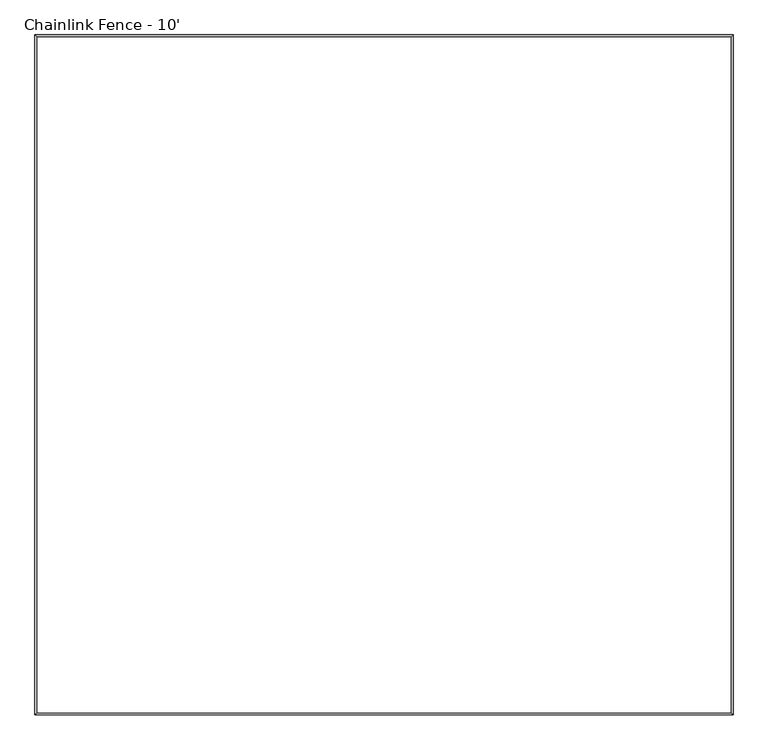
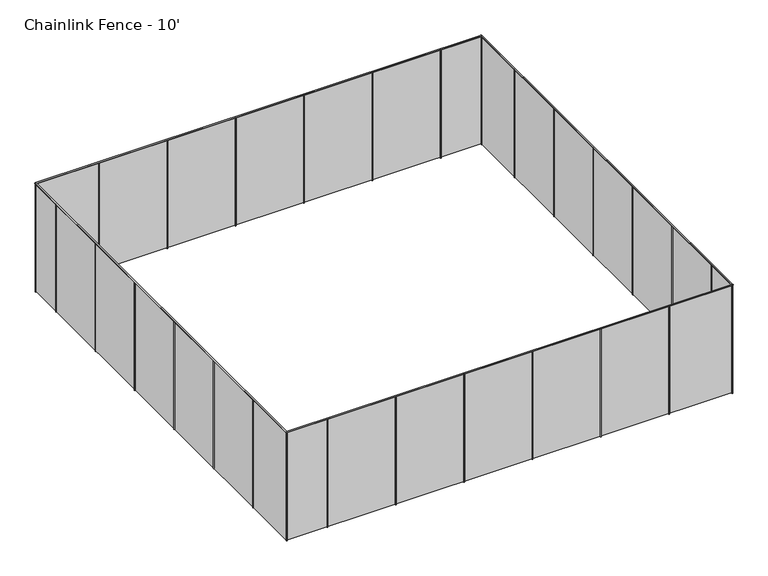
"""IFC4 building model written with IfcOpenShell, lengths in millimetres: railing geometry, Chainlink Fence - 10'."""

from ifc_helpers import new_model, si_unit, point, frame, frame_2d, origin, origin_with_axes, place, context, project, spatial, circle_curve, ellipse_curve, trimmed, segment, composite_curve, outline, extrude, faceted_brep, source, transform, mapped, element, save
from ifc_brep_helpers import cylinder_surface, advanced_brep


def chainlink_fence_10_bb0f8bb2(model_context):
    return source(origin(), model_context, "Body", "SolidModel", [
        advanced_brep(
        [(2433.1141654, -11233.0162938, 3033.0), (2463.1141654, -11263.0162938, 3033.0), (-9366.8858346, -11263.0162938, 3033.0), (-9336.8858346, -11233.0162938, 3033.0), (-9366.8858346, 266.9837062, 3033.0), (-9336.8858346, 236.9837062, 3033.0), (2463.1141654, 266.9837062, 3033.0), (2433.1141654, 236.9837062, 3033.0)],
        [
            (0, 1, ellipse_curve(frame((2448.1141654, -11248.0162938, 3033.0), z_axis=(-0.7071067811865495, -0.7071067811865456, 0.0), x_axis=(0.7071067811865455, -0.7071067811865495, 0.0)), 21.2132034, 15.0)),
            (1, 2),
            (2, 3, ellipse_curve(frame((-9351.8858346, -11248.0162938, 3033.0), z_axis=(0.7071067811865451, -0.7071067811865499, 0.0), x_axis=(0.7071067811865499, 0.707106781186545, 0.0)), 21.2132034, 15.0)),
            (3, 0),
            (1, 0, ellipse_curve(frame((2448.1141654, -11248.0162938, 3033.0), z_axis=(-0.7071067811865495, -0.7071067811865456, 0.0), x_axis=(0.7071067811865455, -0.7071067811865495, 0.0)), 21.2132034, 15.0)),
            (3, 2, ellipse_curve(frame((-9351.8858346, -11248.0162938, 3033.0), z_axis=(0.7071067811865451, -0.7071067811865499, 0.0), x_axis=(0.7071067811865499, 0.707106781186545, 0.0)), 21.2132034, 15.0)),
            (2, 4),
            (4, 5, ellipse_curve(frame((-9351.8858346, 251.9837062, 3033.0), z_axis=(-0.7071067811865498, -0.7071067811865452, 0.0), x_axis=(0.7071067811865452, -0.7071067811865498, 0.0)), 21.2132034, 15.0)),
            (5, 3),
            (5, 4, ellipse_curve(frame((-9351.8858346, 251.9837062, 3033.0), z_axis=(-0.7071067811865498, -0.7071067811865452, 0.0), x_axis=(0.7071067811865452, -0.7071067811865498, 0.0)), 21.2132034, 15.0)),
            (4, 6),
            (6, 7, ellipse_curve(frame((2448.1141654, 251.9837062, 3033.0), z_axis=(-0.7071067811865456, 0.7071067811865493, 0.0), x_axis=(-0.7071067811865496, -0.7071067811865455, 0.0)), 21.2132034, 15.0)),
            (7, 5),
            (7, 6, ellipse_curve(frame((2448.1141654, 251.9837062, 3033.0), z_axis=(-0.7071067811865456, 0.7071067811865493, 0.0), x_axis=(-0.7071067811865496, -0.7071067811865455, 0.0)), 21.2132034, 15.0)),
            (6, 1),
            (0, 7),
        ],
        [
            cylinder_surface(frame((2448.1141654, -11248.0162938, 3033.0), z_axis=(1.0, 0.0, 0.0), x_axis=(0.0, 1.0, 0.0)), 15.0),
            cylinder_surface(frame((-9351.8858346, -11248.0162938, 3033.0), z_axis=(0.0, -1.0, 0.0), x_axis=(1.0, 0.0, 0.0)), 15.0),
            cylinder_surface(frame((-9351.8858346, 251.9837062, 3033.0), z_axis=(-1.0, 0.0, 0.0), x_axis=(0.0, -1.0, 0.0)), 15.0),
            cylinder_surface(frame((2448.1141654, 251.9837062, 3033.0), z_axis=(0.0, 1.0, 0.0), x_axis=(-1.0, 0.0, 0.0)), 15.0),
        ],
        [
            (0, [[1, 2, 3, 4]]),
            (0, [[5, -4, 6, -2]]),
            (1, [[-3, 7, 8, 9]]),
            (1, [[-6, -9, 10, -7]]),
            (2, [[-8, 11, 12, 13]]),
            (2, [[-10, -13, 14, -11]]),
            (3, [[-12, 15, -1, 16]]),
            (3, [[-14, -16, -5, -15]]),
        ],
    ),
        faceted_brep([(2452.1141654, -11252.0162938, 3040.0), (2444.1141654, -11244.0162938, 3040.0), (-9347.8858346, -11244.0162938, 3040.0), (-9355.8858346, -11252.0162938, 3040.0), (2452.1141654, -11252.0162938, 15.0), (-9355.8858346, -11252.0162938, 15.0), (2444.1141654, -11244.0162938, 15.0), (-9347.8858346, -11244.0162938, 15.0), (-9347.8858346, 247.9837062, 3040.0), (-9355.8858346, 255.9837062, 3040.0), (-9355.8858346, 255.9837062, 15.0), (-9347.8858346, 247.9837062, 15.0), (2444.1141654, 247.9837062, 3040.0), (2452.1141654, 255.9837062, 3040.0), (2452.1141654, 255.9837062, 15.0), (2444.1141654, 247.9837062, 15.0)], [[[0, 1, 2, 3]], [[4, 0, 3, 5]], [[6, 4, 5, 7]], [[1, 6, 7, 2]], [[3, 2, 8, 9]], [[5, 3, 9, 10]], [[7, 5, 10, 11]], [[2, 7, 11, 8]], [[9, 8, 12, 13]], [[10, 9, 13, 14]], [[11, 10, 14, 15]], [[8, 11, 15, 12]], [[13, 12, 1, 0]], [[14, 13, 0, 4]], [[15, 14, 4, 6]], [[12, 15, 6, 1]]]),
        extrude(outline(composite_curve([segment(trimmed(circle_curve(frame_2d((-8271.0858346, -11248.0162938)), 12.5), [point((-8271.0858346, -11260.5162938))], [point((-8271.0858346, -11235.5162938))], False, "CARTESIAN"), True, "CONTINUOUS"), segment(trimmed(circle_curve(frame_2d((-8271.0858346, -11248.0162938)), 12.5), [point((-8271.0858346, -11235.5162938))], [point((-8271.0858346, -11260.5162938))], False, "CARTESIAN"), True, "CONTINUOUS")], self_intersect=False)), origin_with_axes(), (0.0, 0.0, 1.0), 3018.0),
        extrude(outline(composite_curve([segment(trimmed(circle_curve(frame_2d((-6461.4858346, -11248.0162938)), 12.5), [point((-6461.4858346, -11260.5162938))], [point((-6461.4858346, -11235.5162938))], False, "CARTESIAN"), True, "CONTINUOUS"), segment(trimmed(circle_curve(frame_2d((-6461.4858346, -11248.0162938)), 12.5), [point((-6461.4858346, -11235.5162938))], [point((-6461.4858346, -11260.5162938))], False, "CARTESIAN"), True, "CONTINUOUS")], self_intersect=False)), origin_with_axes(), (0.0, 0.0, 1.0), 3018.0),
        extrude(outline(composite_curve([segment(trimmed(circle_curve(frame_2d((-4651.8858346, -11248.0162938)), 12.5), [point((-4651.8858346, -11260.5162938))], [point((-4651.8858346, -11235.5162938))], False, "CARTESIAN"), True, "CONTINUOUS"), segment(trimmed(circle_curve(frame_2d((-4651.8858346, -11248.0162938)), 12.5), [point((-4651.8858346, -11235.5162938))], [point((-4651.8858346, -11260.5162938))], False, "CARTESIAN"), True, "CONTINUOUS")], self_intersect=False)), origin_with_axes(), (0.0, 0.0, 1.0), 3018.0),
        extrude(outline(composite_curve([segment(trimmed(circle_curve(frame_2d((-2842.2858346, -11248.0162938)), 12.5), [point((-2842.2858346, -11260.5162938))], [point((-2842.2858346, -11235.5162938))], False, "CARTESIAN"), True, "CONTINUOUS"), segment(trimmed(circle_curve(frame_2d((-2842.2858346, -11248.0162938)), 12.5), [point((-2842.2858346, -11235.5162938))], [point((-2842.2858346, -11260.5162938))], False, "CARTESIAN"), True, "CONTINUOUS")], self_intersect=False)), origin_with_axes(), (0.0, 0.0, 1.0), 3018.0),
        extrude(outline(composite_curve([segment(trimmed(circle_curve(frame_2d((-1032.6858346, -11248.0162938)), 12.5), [point((-1032.6858346, -11260.5162938))], [point((-1032.6858346, -11235.5162938))], False, "CARTESIAN"), True, "CONTINUOUS"), segment(trimmed(circle_curve(frame_2d((-1032.6858346, -11248.0162938)), 12.5), [point((-1032.6858346, -11235.5162938))], [point((-1032.6858346, -11260.5162938))], False, "CARTESIAN"), True, "CONTINUOUS")], self_intersect=False)), origin_with_axes(), (0.0, 0.0, 1.0), 3018.0),
        extrude(outline(composite_curve([segment(trimmed(circle_curve(frame_2d((776.9141654, -11248.0162938)), 12.5), [point((776.9141654, -11260.5162938))], [point((776.9141654, -11235.5162938))], False, "CARTESIAN"), True, "CONTINUOUS"), segment(trimmed(circle_curve(frame_2d((776.9141654, -11248.0162938)), 12.5), [point((776.9141654, -11235.5162938))], [point((776.9141654, -11260.5162938))], False, "CARTESIAN"), True, "CONTINUOUS")], self_intersect=False)), origin_with_axes(), (0.0, 0.0, 1.0), 3018.0),
        extrude(outline(composite_curve([segment(trimmed(circle_curve(frame_2d((2448.1141654, -10317.2162938)), 12.5), [point((2460.6141654, -10317.2162938))], [point((2435.6141654, -10317.2162938))], False, "CARTESIAN"), True, "CONTINUOUS"), segment(trimmed(circle_curve(frame_2d((2448.1141654, -10317.2162938)), 12.5), [point((2435.6141654, -10317.2162938))], [point((2460.6141654, -10317.2162938))], False, "CARTESIAN"), True, "CONTINUOUS")], self_intersect=False)), origin_with_axes(), (0.0, 0.0, 1.0), 3018.0),
        extrude(outline(composite_curve([segment(trimmed(circle_curve(frame_2d((2448.1141654, -8507.6162938)), 12.5), [point((2460.6141654, -8507.6162938))], [point((2435.6141654, -8507.6162938))], False, "CARTESIAN"), True, "CONTINUOUS"), segment(trimmed(circle_curve(frame_2d((2448.1141654, -8507.6162938)), 12.5), [point((2435.6141654, -8507.6162938))], [point((2460.6141654, -8507.6162938))], False, "CARTESIAN"), True, "CONTINUOUS")], self_intersect=False)), origin_with_axes(), (0.0, 0.0, 1.0), 3018.0),
        extrude(outline(composite_curve([segment(trimmed(circle_curve(frame_2d((2448.1141654, -6698.0162938)), 12.5), [point((2460.6141654, -6698.0162938))], [point((2435.6141654, -6698.0162938))], False, "CARTESIAN"), True, "CONTINUOUS"), segment(trimmed(circle_curve(frame_2d((2448.1141654, -6698.0162938)), 12.5), [point((2435.6141654, -6698.0162938))], [point((2460.6141654, -6698.0162938))], False, "CARTESIAN"), True, "CONTINUOUS")], self_intersect=False)), origin_with_axes(), (0.0, 0.0, 1.0), 3018.0),
        extrude(outline(composite_curve([segment(trimmed(circle_curve(frame_2d((2448.1141654, -4888.4162938)), 12.5), [point((2460.6141654, -4888.4162938))], [point((2435.6141654, -4888.4162938))], False, "CARTESIAN"), True, "CONTINUOUS"), segment(trimmed(circle_curve(frame_2d((2448.1141654, -4888.4162938)), 12.5), [point((2435.6141654, -4888.4162938))], [point((2460.6141654, -4888.4162938))], False, "CARTESIAN"), True, "CONTINUOUS")], self_intersect=False)), origin_with_axes(), (0.0, 0.0, 1.0), 3018.0),
        extrude(outline(composite_curve([segment(trimmed(circle_curve(frame_2d((2448.1141654, -3078.8162938)), 12.5), [point((2460.6141654, -3078.8162938))], [point((2435.6141654, -3078.8162938))], False, "CARTESIAN"), True, "CONTINUOUS"), segment(trimmed(circle_curve(frame_2d((2448.1141654, -3078.8162938)), 12.5), [point((2435.6141654, -3078.8162938))], [point((2460.6141654, -3078.8162938))], False, "CARTESIAN"), True, "CONTINUOUS")], self_intersect=False)), origin_with_axes(), (0.0, 0.0, 1.0), 3018.0),
        extrude(outline(composite_curve([segment(trimmed(circle_curve(frame_2d((2448.1141654, -1269.2162938)), 12.5), [point((2460.6141654, -1269.2162938))], [point((2435.6141654, -1269.2162938))], False, "CARTESIAN"), True, "CONTINUOUS"), segment(trimmed(circle_curve(frame_2d((2448.1141654, -1269.2162938)), 12.5), [point((2435.6141654, -1269.2162938))], [point((2460.6141654, -1269.2162938))], False, "CARTESIAN"), True, "CONTINUOUS")], self_intersect=False)), origin_with_axes(), (0.0, 0.0, 1.0), 3018.0),
        extrude(outline(composite_curve([segment(trimmed(circle_curve(frame_2d((1367.3141654, 251.9837062)), 12.5), [point((1367.3141654, 264.4837062))], [point((1367.3141654, 239.4837062))], False, "CARTESIAN"), True, "CONTINUOUS"), segment(trimmed(circle_curve(frame_2d((1367.3141654, 251.9837062)), 12.5), [point((1367.3141654, 239.4837062))], [point((1367.3141654, 264.4837062))], False, "CARTESIAN"), True, "CONTINUOUS")], self_intersect=False)), origin_with_axes(), (0.0, 0.0, 1.0), 3018.0),
        extrude(outline(composite_curve([segment(trimmed(circle_curve(frame_2d((-442.2858346, 251.9837062)), 12.5), [point((-442.2858346, 264.4837062))], [point((-442.2858346, 239.4837062))], False, "CARTESIAN"), True, "CONTINUOUS"), segment(trimmed(circle_curve(frame_2d((-442.2858346, 251.9837062)), 12.5), [point((-442.2858346, 239.4837062))], [point((-442.2858346, 264.4837062))], False, "CARTESIAN"), True, "CONTINUOUS")], self_intersect=False)), origin_with_axes(), (0.0, 0.0, 1.0), 3018.0),
        extrude(outline(composite_curve([segment(trimmed(circle_curve(frame_2d((-2251.8858346, 251.9837062)), 12.5), [point((-2251.8858346, 264.4837062))], [point((-2251.8858346, 239.4837062))], False, "CARTESIAN"), True, "CONTINUOUS"), segment(trimmed(circle_curve(frame_2d((-2251.8858346, 251.9837062)), 12.5), [point((-2251.8858346, 239.4837062))], [point((-2251.8858346, 264.4837062))], False, "CARTESIAN"), True, "CONTINUOUS")], self_intersect=False)), origin_with_axes(), (0.0, 0.0, 1.0), 3018.0),
        extrude(outline(composite_curve([segment(trimmed(circle_curve(frame_2d((-4061.4858346, 251.9837062)), 12.5), [point((-4061.4858346, 264.4837062))], [point((-4061.4858346, 239.4837062))], False, "CARTESIAN"), True, "CONTINUOUS"), segment(trimmed(circle_curve(frame_2d((-4061.4858346, 251.9837062)), 12.5), [point((-4061.4858346, 239.4837062))], [point((-4061.4858346, 264.4837062))], False, "CARTESIAN"), True, "CONTINUOUS")], self_intersect=False)), origin_with_axes(), (0.0, 0.0, 1.0), 3018.0),
        extrude(outline(composite_curve([segment(trimmed(circle_curve(frame_2d((-5871.0858346, 251.9837062)), 12.5), [point((-5871.0858346, 264.4837062))], [point((-5871.0858346, 239.4837062))], False, "CARTESIAN"), True, "CONTINUOUS"), segment(trimmed(circle_curve(frame_2d((-5871.0858346, 251.9837062)), 12.5), [point((-5871.0858346, 239.4837062))], [point((-5871.0858346, 264.4837062))], False, "CARTESIAN"), True, "CONTINUOUS")], self_intersect=False)), origin_with_axes(), (0.0, 0.0, 1.0), 3018.0),
        extrude(outline(composite_curve([segment(trimmed(circle_curve(frame_2d((-7680.6858346, 251.9837062)), 12.5), [point((-7680.6858346, 264.4837062))], [point((-7680.6858346, 239.4837062))], False, "CARTESIAN"), True, "CONTINUOUS"), segment(trimmed(circle_curve(frame_2d((-7680.6858346, 251.9837062)), 12.5), [point((-7680.6858346, 239.4837062))], [point((-7680.6858346, 264.4837062))], False, "CARTESIAN"), True, "CONTINUOUS")], self_intersect=False)), origin_with_axes(), (0.0, 0.0, 1.0), 3018.0),
        extrude(outline(composite_curve([segment(trimmed(circle_curve(frame_2d((-9351.8858346, -678.8162938)), 12.5), [point((-9364.3858346, -678.8162938))], [point((-9339.3858346, -678.8162938))], False, "CARTESIAN"), True, "CONTINUOUS"), segment(trimmed(circle_curve(frame_2d((-9351.8858346, -678.8162938)), 12.5), [point((-9339.3858346, -678.8162938))], [point((-9364.3858346, -678.8162938))], False, "CARTESIAN"), True, "CONTINUOUS")], self_intersect=False)), origin_with_axes(), (0.0, 0.0, 1.0), 3018.0),
        extrude(outline(composite_curve([segment(trimmed(circle_curve(frame_2d((-9351.8858346, -2488.4162938)), 12.5), [point((-9364.3858346, -2488.4162938))], [point((-9339.3858346, -2488.4162938))], False, "CARTESIAN"), True, "CONTINUOUS"), segment(trimmed(circle_curve(frame_2d((-9351.8858346, -2488.4162938)), 12.5), [point((-9339.3858346, -2488.4162938))], [point((-9364.3858346, -2488.4162938))], False, "CARTESIAN"), True, "CONTINUOUS")], self_intersect=False)), origin_with_axes(), (0.0, 0.0, 1.0), 3018.0),
        extrude(outline(composite_curve([segment(trimmed(circle_curve(frame_2d((-9351.8858346, -4298.0162938)), 12.5), [point((-9364.3858346, -4298.0162938))], [point((-9339.3858346, -4298.0162938))], False, "CARTESIAN"), True, "CONTINUOUS"), segment(trimmed(circle_curve(frame_2d((-9351.8858346, -4298.0162938)), 12.5), [point((-9339.3858346, -4298.0162938))], [point((-9364.3858346, -4298.0162938))], False, "CARTESIAN"), True, "CONTINUOUS")], self_intersect=False)), origin_with_axes(), (0.0, 0.0, 1.0), 3018.0),
        extrude(outline(composite_curve([segment(trimmed(circle_curve(frame_2d((-9351.8858346, -6107.6162938)), 12.5), [point((-9364.3858346, -6107.6162938))], [point((-9339.3858346, -6107.6162938))], False, "CARTESIAN"), True, "CONTINUOUS"), segment(trimmed(circle_curve(frame_2d((-9351.8858346, -6107.6162938)), 12.5), [point((-9339.3858346, -6107.6162938))], [point((-9364.3858346, -6107.6162938))], False, "CARTESIAN"), True, "CONTINUOUS")], self_intersect=False)), origin_with_axes(), (0.0, 0.0, 1.0), 3018.0),
        extrude(outline(composite_curve([segment(trimmed(circle_curve(frame_2d((-9351.8858346, -7917.2162938)), 12.5), [point((-9364.3858346, -7917.2162938))], [point((-9339.3858346, -7917.2162938))], False, "CARTESIAN"), True, "CONTINUOUS"), segment(trimmed(circle_curve(frame_2d((-9351.8858346, -7917.2162938)), 12.5), [point((-9339.3858346, -7917.2162938))], [point((-9364.3858346, -7917.2162938))], False, "CARTESIAN"), True, "CONTINUOUS")], self_intersect=False)), origin_with_axes(), (0.0, 0.0, 1.0), 3018.0),
        extrude(outline(composite_curve([segment(trimmed(circle_curve(frame_2d((-9351.8858346, -9726.8162938)), 12.5), [point((-9364.3858346, -9726.8162938))], [point((-9339.3858346, -9726.8162938))], False, "CARTESIAN"), True, "CONTINUOUS"), segment(trimmed(circle_curve(frame_2d((-9351.8858346, -9726.8162938)), 12.5), [point((-9339.3858346, -9726.8162938))], [point((-9364.3858346, -9726.8162938))], False, "CARTESIAN"), True, "CONTINUOUS")], self_intersect=False)), origin_with_axes(), (0.0, 0.0, 1.0), 3018.0),
        extrude(outline(composite_curve([segment(trimmed(circle_curve(frame_2d((-9351.8858346, -11248.0162938)), 12.5), [point((-9351.8858346, -11260.5162938))], [point((-9351.8858346, -11235.5162938))], False, "CARTESIAN"), True, "CONTINUOUS"), segment(trimmed(circle_curve(frame_2d((-9351.8858346, -11248.0162938)), 12.5), [point((-9351.8858346, -11235.5162938))], [point((-9351.8858346, -11260.5162938))], False, "CARTESIAN"), True, "CONTINUOUS")], self_intersect=False)), origin_with_axes(), (0.0, 0.0, 1.0), 3018.0),
        extrude(outline(composite_curve([segment(trimmed(circle_curve(frame_2d((2448.1141654, -11248.0162938)), 12.5), [point((2460.6141654, -11248.0162938))], [point((2435.6141654, -11248.0162938))], False, "CARTESIAN"), True, "CONTINUOUS"), segment(trimmed(circle_curve(frame_2d((2448.1141654, -11248.0162938)), 12.5), [point((2435.6141654, -11248.0162938))], [point((2460.6141654, -11248.0162938))], False, "CARTESIAN"), True, "CONTINUOUS")], self_intersect=False)), origin_with_axes(), (0.0, 0.0, 1.0), 3018.0),
        extrude(outline(composite_curve([segment(trimmed(circle_curve(frame_2d((2448.1141654, 251.9837062)), 12.5), [point((2448.1141654, 264.4837062))], [point((2448.1141654, 239.4837062))], False, "CARTESIAN"), True, "CONTINUOUS"), segment(trimmed(circle_curve(frame_2d((2448.1141654, 251.9837062)), 12.5), [point((2448.1141654, 239.4837062))], [point((2448.1141654, 264.4837062))], False, "CARTESIAN"), True, "CONTINUOUS")], self_intersect=False)), origin_with_axes(), (0.0, 0.0, 1.0), 3018.0),
        extrude(outline(composite_curve([segment(trimmed(circle_curve(frame_2d((-9351.8858346, 251.9837062)), 12.5), [point((-9364.3858346, 251.9837062))], [point((-9339.3858346, 251.9837062))], False, "CARTESIAN"), True, "CONTINUOUS"), segment(trimmed(circle_curve(frame_2d((-9351.8858346, 251.9837062)), 12.5), [point((-9339.3858346, 251.9837062))], [point((-9364.3858346, 251.9837062))], False, "CARTESIAN"), True, "CONTINUOUS")], self_intersect=False)), origin_with_axes(), (0.0, 0.0, 1.0), 3018.0),
    ])


if __name__ == "__main__":
    model = new_model("IFC4")
    model_context = context("Model", 3, world=origin())
    ifc_project = project(units=[si_unit("LENGTHUNIT", "METRE", prefix="MILLI")], contexts=[model_context])
    site = spatial("IfcSite", under=ifc_project)
    building = spatial("IfcBuilding", under=site)
    placement = place(None, origin())
    chainlink_fence_10_shape = chainlink_fence_10_bb0f8bb2(model_context)
    element("IfcRailing", 1, ObjectType="Chainlink Fence - 10'", at=placement, inside=building, context=model_context, shape_type="MappedRepresentation", body=[
        mapped(chainlink_fence_10_shape, transform((0.0, 0.0, 0.0), x_axis=(1.0, 0.0, 0.0), y_axis=(0.0, 1.0, 0.0), z_axis=(0.0, 0.0, 1.0))),
    ])
    save(model, "model.ifc")
